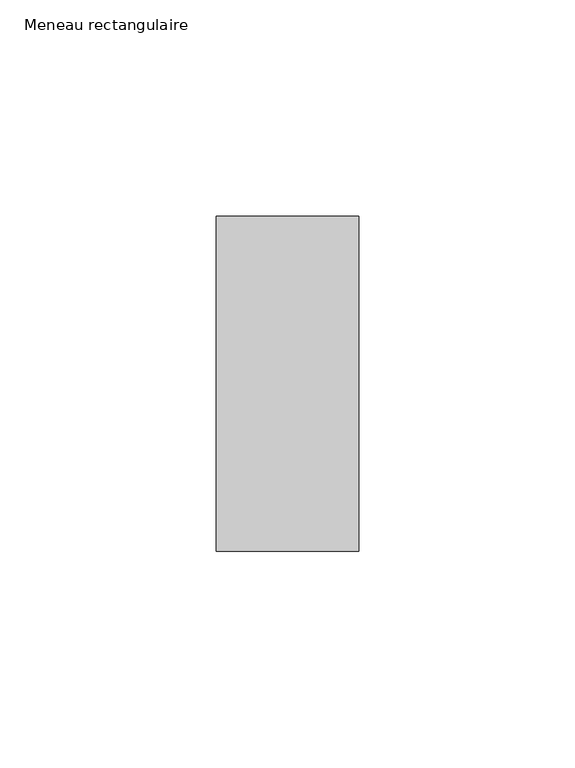
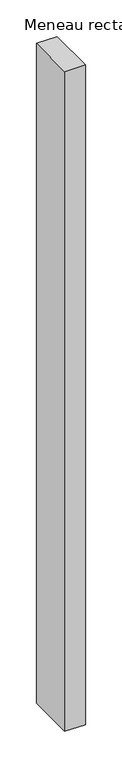
"""IFC4 building model written with IfcOpenShell, lengths in millimetres: member geometry, Meneau rectangulaire."""

from ifc_helpers import new_model, si_unit, frame, origin, place, context, project, spatial, polyline, outline, extrude, source, transform, mapped, element, save


def meneau_rectangulaire_b380a18d(model_context):
    return source(origin(), model_context, "Body", "SweptSolid", [
        extrude(outline(polyline([(0.0, 38.75), (0.0, -38.75), (-33.0, -38.75), (-33.0, 38.75), (0.0, 38.75)])), frame((0.0, 0.0, -1102.2499998), z_axis=(0.0, 0.0, 1.0), x_axis=(1.0, 0.0, 0.0)), (0.0, 0.0, 1.0), 1102.2499998),
    ])


if __name__ == "__main__":
    model = new_model("IFC4")
    model_context = context("Model", 3, world=origin())
    ifc_project = project(units=[si_unit("LENGTHUNIT", "METRE", prefix="MILLI")], contexts=[model_context])
    site = spatial("IfcSite", under=ifc_project)
    building = spatial("IfcBuilding", under=site)
    placement = place(None, origin())
    meneau_rectangulaire_shape = meneau_rectangulaire_b380a18d(model_context)
    element("IfcMember", 1, ObjectType="Meneau rectangulaire", at=placement, inside=building, context=model_context, shape_type="MappedRepresentation", body=[
        mapped(meneau_rectangulaire_shape, transform((0.0, 0.0, 0.0), x_axis=(1.0, 0.0, 0.0), y_axis=(0.0, 1.0, 0.0), z_axis=(0.0, 0.0, 1.0))),
    ])
    save(model, "model.ifc")
